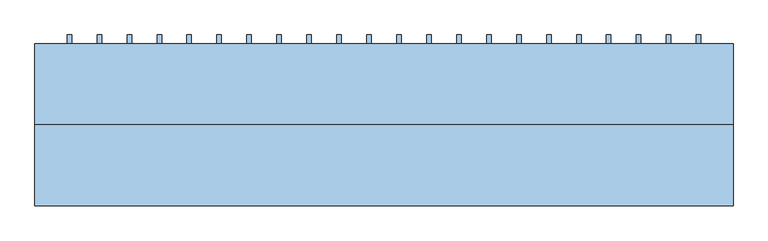
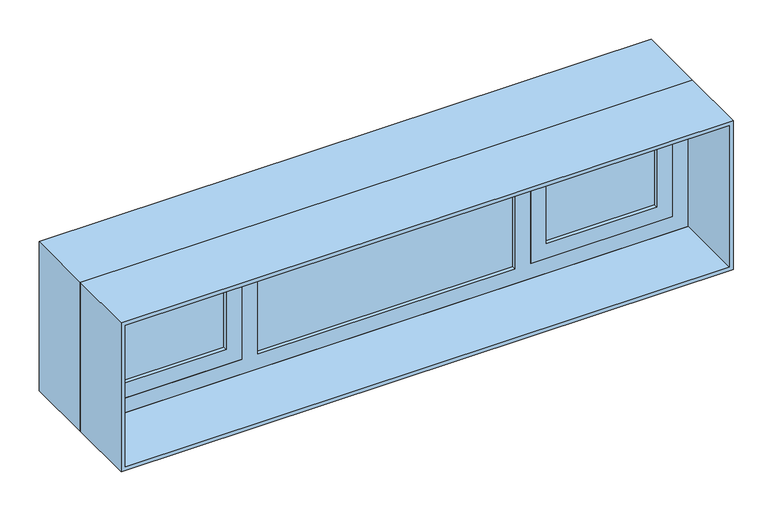
"""IFC4 building model written with IfcOpenShell, lengths in millimetres: window geometry."""

from ifc_helpers import new_model, si_unit, frame, origin, place, context, project, spatial, polyline, outline, extrude, source, transform, mapped, element, save


def window_3620f187(model_context):
    return source(origin(), model_context, "Body", "SweptSolid", [
        extrude(outline(polyline([(1057.5, 424.65), (1057.5, 275.35), (1042.5, 275.35), (1042.5, 424.65), (1057.5, 424.65)])), frame((0.0, 0.0, 915.0), z_axis=(0.0, 0.0, 1.0), x_axis=(1.0, 0.0, 0.0)), (0.0, 0.0, 1.0), 420.0),
        extrude(outline(polyline([(957.5, 424.65), (957.5, 275.35), (942.5, 275.35), (942.5, 424.65), (957.5, 424.65)])), frame((0.0, 0.0, 915.0), z_axis=(0.0, 0.0, 1.0), x_axis=(1.0, 0.0, 0.0)), (0.0, 0.0, 1.0), 420.0),
        extrude(outline(polyline([(857.5, 424.65), (857.5, 275.35), (842.5, 275.35), (842.5, 424.65), (857.5, 424.65)])), frame((0.0, 0.0, 915.0), z_axis=(0.0, 0.0, 1.0), x_axis=(1.0, 0.0, 0.0)), (0.0, 0.0, 1.0), 420.0),
        extrude(outline(polyline([(757.5, 424.65), (757.5, 275.35), (742.5, 275.35), (742.5, 424.65), (757.5, 424.65)])), frame((0.0, 0.0, 915.0), z_axis=(0.0, 0.0, 1.0), x_axis=(1.0, 0.0, 0.0)), (0.0, 0.0, 1.0), 420.0),
        extrude(outline(polyline([(657.5, 424.65), (657.5, 275.35), (642.5, 275.35), (642.5, 424.65), (657.5, 424.65)])), frame((0.0, 0.0, 915.0), z_axis=(0.0, 0.0, 1.0), x_axis=(1.0, 0.0, 0.0)), (0.0, 0.0, 1.0), 420.0),
        extrude(outline(polyline([(557.5, 424.65), (557.5, 275.35), (542.5, 275.35), (542.5, 424.65), (557.5, 424.65)])), frame((0.0, 0.0, 915.0), z_axis=(0.0, 0.0, 1.0), x_axis=(1.0, 0.0, 0.0)), (0.0, 0.0, 1.0), 420.0),
        extrude(outline(polyline([(457.5, 424.65), (457.5, 275.35), (442.5, 275.35), (442.5, 424.65), (457.5, 424.65)])), frame((0.0, 0.0, 915.0), z_axis=(0.0, 0.0, 1.0), x_axis=(1.0, 0.0, 0.0)), (0.0, 0.0, 1.0), 420.0),
        extrude(outline(polyline([(357.5, 424.65), (357.5, 275.35), (342.5, 275.35), (342.5, 424.65), (357.5, 424.65)])), frame((0.0, 0.0, 915.0), z_axis=(0.0, 0.0, 1.0), x_axis=(1.0, 0.0, 0.0)), (0.0, 0.0, 1.0), 420.0),
        extrude(outline(polyline([(257.5, 424.65), (257.5, 275.35), (242.5, 275.35), (242.5, 424.65), (257.5, 424.65)])), frame((0.0, 0.0, 915.0), z_axis=(0.0, 0.0, 1.0), x_axis=(1.0, 0.0, 0.0)), (0.0, 0.0, 1.0), 420.0),
        extrude(outline(polyline([(157.5, 424.65), (157.5, 275.35), (142.5, 275.35), (142.5, 424.65), (157.5, 424.65)])), frame((0.0, 0.0, 915.0), z_axis=(0.0, 0.0, 1.0), x_axis=(1.0, 0.0, 0.0)), (0.0, 0.0, 1.0), 420.0),
        extrude(outline(polyline([(57.5, 424.65), (57.5, 275.35), (42.5, 275.35), (42.5, 424.65), (57.5, 424.65)])), frame((0.0, 0.0, 915.0), z_axis=(0.0, 0.0, 1.0), x_axis=(1.0, 0.0, 0.0)), (0.0, 0.0, 1.0), 420.0),
        extrude(outline(polyline([(-42.5, 424.65), (-42.5, 275.35), (-57.5, 275.35), (-57.5, 424.65), (-42.5, 424.65)])), frame((0.0, 0.0, 915.0), z_axis=(0.0, 0.0, 1.0), x_axis=(1.0, 0.0, 0.0)), (0.0, 0.0, 1.0), 420.0),
        extrude(outline(polyline([(-142.5, 424.65), (-142.5, 275.35), (-157.5, 275.35), (-157.5, 424.65), (-142.5, 424.65)])), frame((0.0, 0.0, 915.0), z_axis=(0.0, 0.0, 1.0), x_axis=(1.0, 0.0, 0.0)), (0.0, 0.0, 1.0), 420.0),
        extrude(outline(polyline([(-242.5, 424.65), (-242.5, 275.35), (-257.5, 275.35), (-257.5, 424.65), (-242.5, 424.65)])), frame((0.0, 0.0, 915.0), z_axis=(0.0, 0.0, 1.0), x_axis=(1.0, 0.0, 0.0)), (0.0, 0.0, 1.0), 420.0),
        extrude(outline(polyline([(-342.5, 424.65), (-342.5, 275.35), (-357.5, 275.35), (-357.5, 424.65), (-342.5, 424.65)])), frame((0.0, 0.0, 915.0), z_axis=(0.0, 0.0, 1.0), x_axis=(1.0, 0.0, 0.0)), (0.0, 0.0, 1.0), 420.0),
        extrude(outline(polyline([(-442.5, 424.65), (-442.5, 275.35), (-457.5, 275.35), (-457.5, 424.65), (-442.5, 424.65)])), frame((0.0, 0.0, 915.0), z_axis=(0.0, 0.0, 1.0), x_axis=(1.0, 0.0, 0.0)), (0.0, 0.0, 1.0), 420.0),
        extrude(outline(polyline([(-542.5, 424.65), (-542.5, 275.35), (-557.5, 275.35), (-557.5, 424.65), (-542.5, 424.65)])), frame((0.0, 0.0, 915.0), z_axis=(0.0, 0.0, 1.0), x_axis=(1.0, 0.0, 0.0)), (0.0, 0.0, 1.0), 420.0),
        extrude(outline(polyline([(-642.5, 424.65), (-642.5, 275.35), (-657.5, 275.35), (-657.5, 424.65), (-642.5, 424.65)])), frame((0.0, 0.0, 915.0), z_axis=(0.0, 0.0, 1.0), x_axis=(1.0, 0.0, 0.0)), (0.0, 0.0, 1.0), 420.0),
        extrude(outline(polyline([(-742.5, 424.65), (-742.5, 275.35), (-757.5, 275.35), (-757.5, 424.65), (-742.5, 424.65)])), frame((0.0, 0.0, 915.0), z_axis=(0.0, 0.0, 1.0), x_axis=(1.0, 0.0, 0.0)), (0.0, 0.0, 1.0), 420.0),
        extrude(outline(polyline([(-842.5, 424.65), (-842.5, 275.35), (-857.5, 275.35), (-857.5, 424.65), (-842.5, 424.65)])), frame((0.0, 0.0, 915.0), z_axis=(0.0, 0.0, 1.0), x_axis=(1.0, 0.0, 0.0)), (0.0, 0.0, 1.0), 420.0),
        extrude(outline(polyline([(-942.5, 424.65), (-942.5, 275.35), (-957.5, 275.35), (-957.5, 424.65), (-942.5, 424.65)])), frame((0.0, 0.0, 915.0), z_axis=(0.0, 0.0, 1.0), x_axis=(1.0, 0.0, 0.0)), (0.0, 0.0, 1.0), 420.0),
        extrude(outline(polyline([(-1042.5, 424.65), (-1042.5, 275.35), (-1057.5, 275.35), (-1057.5, 424.65), (-1042.5, 424.65)])), frame((0.0, 0.0, 915.0), z_axis=(0.0, 0.0, 1.0), x_axis=(1.0, 0.0, 0.0)), (0.0, 0.0, 1.0), 420.0),
        extrude(outline(polyline([(-350.0, 325.0), (-400.0, 325.0), (-400.0, 375.0), (-350.0, 375.0), (-350.0, 325.0)])), frame((0.0, 0.0, 815.0), z_axis=(0.0, 0.0, 1.0), x_axis=(1.0, 0.0, 0.0)), (0.0, 0.0, 1.0), 50.0),
        extrude(outline(polyline([(400.0, 325.0), (350.0, 325.0), (350.0, 375.0), (400.0, 375.0), (400.0, 325.0)])), frame((0.0, 0.0, 815.0), z_axis=(0.0, 0.0, 1.0), x_axis=(1.0, 0.0, 0.0)), (0.0, 0.0, 1.0), 50.0),
        extrude(outline(polyline([(1385.0, 1150.0), (1385.0, -1150.0), (865.0, -1150.0), (865.0, 1150.0), (1385.0, 1150.0)]), holes=[polyline([(1335.0, 1100.0), (915.0, 1100.0), (915.0, -1100.0), (1335.0, -1100.0), (1335.0, 1100.0)])]), frame((0.0, 325.0, 0.0), z_axis=(0.0, 1.0, 0.0), x_axis=(0.0, 0.0, 1.0)), (0.0, 0.0, 1.0), 50.0),
        extrude(outline(polyline([(1325.0, -550.0), (1325.0, -1090.0), (875.0, -1090.0), (875.0, -550.0), (1325.0, -550.0)]), holes=[polyline([(1265.0, -610.0), (935.0, -610.0), (935.0, -1030.0), (1265.0, -1030.0), (1265.0, -610.0)])]), frame((0.0, 125.0, 0.0), z_axis=(0.0, 1.0, 0.0), x_axis=(0.0, 0.0, 1.0)), (0.0, 0.0, 1.0), 60.0),
        extrude(outline(polyline([(1325.0, 1090.0), (1325.0, 550.0), (875.0, 550.0), (875.0, 1090.0), (1325.0, 1090.0)]), holes=[polyline([(1265.0, 1030.0), (935.0, 1030.0), (935.0, 610.0), (1265.0, 610.0), (1265.0, 1030.0)])]), frame((0.0, 125.0, 0.0), z_axis=(0.0, 1.0, 0.0), x_axis=(0.0, 0.0, 1.0)), (0.0, 0.0, 1.0), 60.0),
        extrude(outline(polyline([(1400.0, 1165.0), (1400.0, -1165.0), (800.0, -1165.0), (800.0, 1165.0), (1400.0, 1165.0)]), holes=[polyline([(815.0, 1150.0), (815.0, -1150.0), (1385.0, -1150.0), (1385.0, 1150.0), (815.0, 1150.0)])]), frame((0.0, -145.0, 0.0), z_axis=(0.0, 1.0, 0.0), x_axis=(0.0, 0.0, 1.0)), (0.0, 0.0, 1.0), 270.0),
        extrude(outline(polyline([(1400.0, -1165.0), (800.0, -1165.0), (800.0, 1165.0), (1400.0, 1165.0), (1400.0, -1165.0)]), holes=[polyline([(815.0, 1150.0), (815.0, -1150.0), (1385.0, -1150.0), (1385.0, 1150.0), (815.0, 1150.0)])]), frame((0.0, 125.0, 0.0), z_axis=(0.0, 1.0, 0.0), x_axis=(0.0, 0.0, 1.0)), (0.0, 0.0, 1.0), 270.0),
        extrude(outline(polyline([(1030.0, 140.0), (610.0, 140.0), (610.0, 170.0), (1030.0, 170.0), (1030.0, 140.0)])), frame((0.0, 0.0, 935.0), z_axis=(0.0, 0.0, 1.0), x_axis=(1.0, 0.0, 0.0)), (0.0, 0.0, 1.0), 330.0),
        extrude(outline(polyline([(490.0, 140.0), (-490.0, 140.0), (-490.0, 170.0), (490.0, 170.0), (490.0, 140.0)])), frame((0.0, 0.0, 875.0), z_axis=(0.0, 0.0, 1.0), x_axis=(1.0, 0.0, 0.0)), (0.0, 0.0, 1.0), 450.0),
        extrude(outline(polyline([(-610.0, 140.0), (-1030.0, 140.0), (-1030.0, 170.0), (-610.0, 170.0), (-610.0, 140.0)])), frame((0.0, 0.0, 935.0), z_axis=(0.0, 0.0, 1.0), x_axis=(1.0, 0.0, 0.0)), (0.0, 0.0, 1.0), 330.0),
        extrude(outline(polyline([(1385.0, -1150.0), (800.0, -1150.0), (800.0, 1150.0), (1385.0, 1150.0), (1385.0, -1150.0)]), holes=[polyline([(1325.0, 550.0), (1325.0, 1090.0), (875.0, 1090.0), (875.0, 550.0), (1325.0, 550.0)]), polyline([(1325.0, -490.0), (1325.0, 490.0), (875.0, 490.0), (875.0, -490.0), (1325.0, -490.0)]), polyline([(1325.0, -1090.0), (1325.0, -550.0), (875.0, -550.0), (875.0, -1090.0), (1325.0, -1090.0)])]), frame((0.0, 125.0, 0.0), z_axis=(0.0, 1.0, 0.0), x_axis=(0.0, 0.0, 1.0)), (0.0, 0.0, 1.0), 60.0),
    ])


if __name__ == "__main__":
    model = new_model("IFC4")
    model_context = context("Model", 3, world=origin())
    ifc_project = project(units=[si_unit("LENGTHUNIT", "METRE", prefix="MILLI")], contexts=[model_context])
    site = spatial("IfcSite", under=ifc_project)
    building = spatial("IfcBuilding", under=site)
    placement = place(None, origin())
    window_shape = window_3620f187(model_context)
    element("IfcWindow", 1, at=placement, inside=building, context=model_context, shape_type="MappedRepresentation", body=[
        mapped(window_shape, transform((0.0, 0.0, 0.0), x_axis=(1.0, 0.0, 0.0), y_axis=(0.0, 1.0, 0.0), z_axis=(0.0, 0.0, 1.0))),
    ])
    save(model, "model.ifc")
